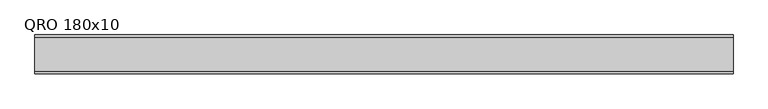
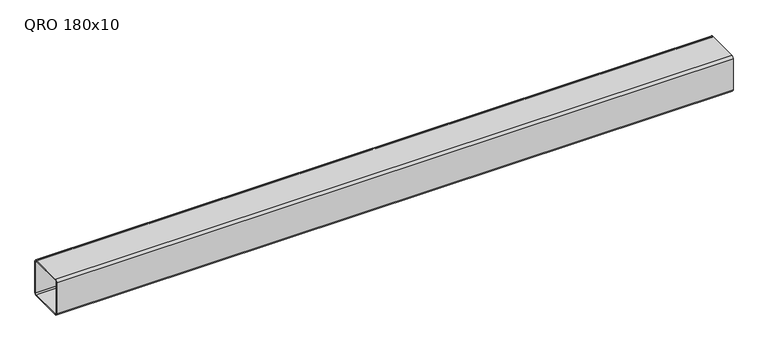
"""IFC4 building model written with IfcOpenShell, lengths in millimetres: beam geometry, QRO 180x10."""

from ifc_helpers import new_model, si_unit, point, frame, frame_2d, origin, place, context, project, spatial, polyline, circle_curve, trimmed, segment, composite_curve, outline, extrude, source, transform, mapped, element, save


def qro_180x10_15622f4e(model_context):
    return source(origin(), model_context, "Body", "SweptSolid", [
        extrude(outline(composite_curve([segment(polyline([(90.0, 78.0), (90.0, -78.0)]), True, "CONTINUOUS"), segment(trimmed(circle_curve(frame_2d((78.0, -78.0)), 12.0), [point((90.0, -78.0))], [point((78.0, -90.0))], False, "CARTESIAN"), True, "CONTINUOUS"), segment(polyline([(78.0, -90.0), (-78.0, -90.0)]), True, "CONTINUOUS"), segment(trimmed(circle_curve(frame_2d((-78.0, -78.0)), 12.0), [point((-78.0, -90.0))], [point((-90.0, -78.0))], False, "CARTESIAN"), True, "CONTINUOUS"), segment(polyline([(-90.0, -78.0), (-90.0, 78.0)]), True, "CONTINUOUS"), segment(trimmed(circle_curve(frame_2d((-78.0, 78.0)), 12.0), [point((-90.0, 78.0))], [point((-78.0, 90.0))], False, "CARTESIAN"), True, "CONTINUOUS"), segment(polyline([(-78.0, 90.0), (78.0, 90.0)]), True, "CONTINUOUS"), segment(trimmed(circle_curve(frame_2d((78.0, 78.0)), 12.0), [point((78.0, 90.0))], [point((90.0, 78.0))], False, "CARTESIAN"), True, "CONTINUOUS")], self_intersect=False), holes=[composite_curve([segment(trimmed(circle_curve(frame_2d((-78.0, 78.0)), 6.0), [point((-78.0, 84.0))], [point((-84.0, 78.0))], True, "CARTESIAN"), True, "CONTINUOUS"), segment(polyline([(-84.0, 78.0), (-84.0, -78.0)]), True, "CONTINUOUS"), segment(trimmed(circle_curve(frame_2d((-78.0, -78.0)), 6.0), [point((-84.0, -78.0))], [point((-78.0, -84.0))], True, "CARTESIAN"), True, "CONTINUOUS"), segment(polyline([(-78.0, -84.0), (78.0, -84.0)]), True, "CONTINUOUS"), segment(trimmed(circle_curve(frame_2d((78.0, -78.0)), 6.0), [point((78.0, -84.0))], [point((84.0, -78.0))], True, "CARTESIAN"), True, "CONTINUOUS"), segment(polyline([(84.0, -78.0), (84.0, 78.0)]), True, "CONTINUOUS"), segment(trimmed(circle_curve(frame_2d((78.0, 78.0)), 6.0), [point((84.0, 78.0))], [point((78.0, 84.0))], True, "CARTESIAN"), True, "CONTINUOUS"), segment(polyline([(78.0, 84.0), (-78.0, 84.0)]), True, "CONTINUOUS")], self_intersect=False)]), frame((-1729.2349666, 0.0, 0.0), z_axis=(1.0, 0.0, 0.0), x_axis=(0.0, 1.0, 0.0)), (0.0, 0.0, 1.0), 3237.2085299),
    ])


if __name__ == "__main__":
    model = new_model("IFC4")
    model_context = context("Model", 3, world=origin())
    ifc_project = project(units=[si_unit("LENGTHUNIT", "METRE", prefix="MILLI")], contexts=[model_context])
    site = spatial("IfcSite", under=ifc_project)
    building = spatial("IfcBuilding", under=site)
    placement = place(None, origin())
    qro_180x10_shape = qro_180x10_15622f4e(model_context)
    element("IfcBeam", 1, ObjectType="QRO 180x10", at=placement, inside=building, context=model_context, shape_type="MappedRepresentation", body=[
        mapped(qro_180x10_shape, transform((0.0, 0.0, 0.0), x_axis=(1.0, 0.0, 0.0), y_axis=(0.0, 1.0, 0.0), z_axis=(0.0, 0.0, 1.0))),
    ])
    save(model, "model.ifc")
